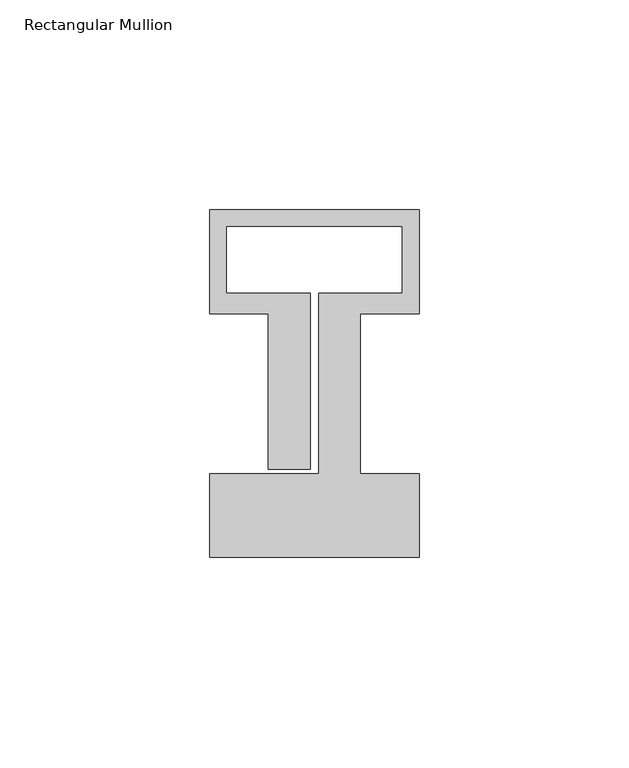
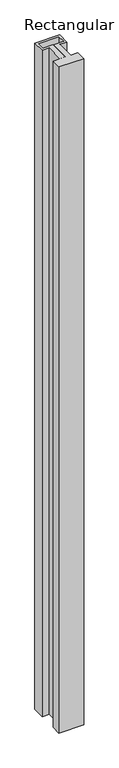
"""IFC4 building model written with IfcOpenShell, lengths in millimetres: member geometry, Rectangular Mullion."""

from ifc_helpers import new_model, si_unit, frame, origin, place, context, project, spatial, polyline, outline, extrude, source, transform, mapped, element, save


def rectangular_mullion_a7ec4a1e(model_context):
    return source(origin(), model_context, "Body", "SweptSolid", [
        extrude(outline(polyline([(25.0, -58.0), (-25.0, -58.0), (-25.0, -38.0), (1.0, -38.0), (1.0, 5.0), (21.0, 5.0), (21.0, 21.0), (-21.0, 21.0), (-21.0, 5.0), (-1.0, 5.0), (-1.0, -37.0), (-11.0, -37.0), (-11.0, 0.1), (-25.0, 0.1), (-25.0, 25.0), (25.0, 25.0), (25.0, 0.1), (11.0, 0.1), (11.0, -38.0), (25.0, -38.0), (25.0, -58.0)])), frame((0.0, 0.0, -1415.0), z_axis=(0.0, 0.0, 1.0), x_axis=(1.0, 0.0, 0.0)), (0.0, 0.0, 1.0), 1415.0),
    ])


if __name__ == "__main__":
    model = new_model("IFC4")
    model_context = context("Model", 3, world=origin())
    ifc_project = project(units=[si_unit("LENGTHUNIT", "METRE", prefix="MILLI")], contexts=[model_context])
    site = spatial("IfcSite", under=ifc_project)
    building = spatial("IfcBuilding", under=site)
    placement = place(None, origin())
    rectangular_mullion_shape = rectangular_mullion_a7ec4a1e(model_context)
    element("IfcMember", 1, ObjectType="Rectangular Mullion", at=placement, inside=building, context=model_context, shape_type="MappedRepresentation", body=[
        mapped(rectangular_mullion_shape, transform((0.0, 0.0, 0.0), x_axis=(1.0, 0.0, 0.0), y_axis=(0.0, 1.0, 0.0), z_axis=(0.0, 0.0, 1.0))),
    ])
    save(model, "model.ifc")
